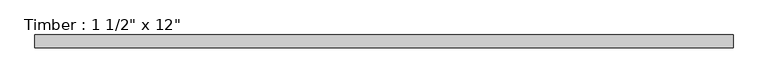
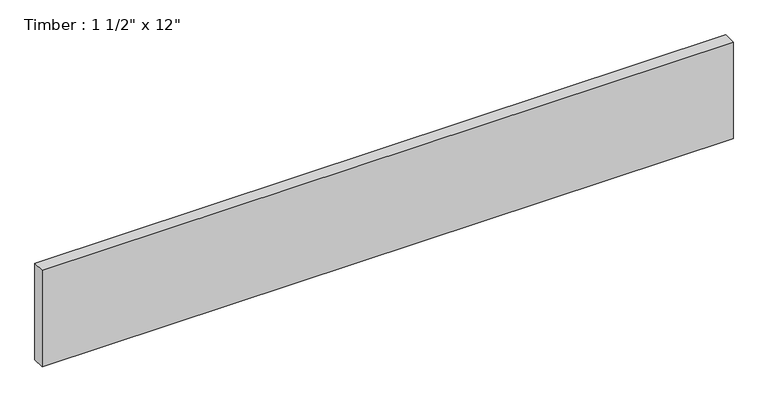
"""IFC4 building model written with IfcOpenShell, lengths in millimetres: beam geometry."""

import ifcopenshell
import ifcopenshell.guid

model = None  # the IFC model being written
_history = None  # IfcOwnerHistory: only IFC2X3 demands one
_inside = {}  # id of a spatial element -> (the spatial element, [elements in it])
_under = {}  # id of a project, library or spatial element -> (it, [spatial elements below it])
_declared = {}  # id of a project -> (the project, [libraries it declares])
_typed = {}  # id of a type object -> (the type object, [elements of that type])
_made_of = {}  # id of a material, layer set ... -> (it, [elements and type objects made of it])


def new_model(schema):
    """Start an empty IFC model of exactly this schema.

    Asked for "IFC4X3", IfcOpenShell would pick the latest addendum, in which some entities
    have other attributes; the version numbers below select the first issue.
    IFC2X3 requires an IfcOwnerHistory on every rooted entity: one is made here for all.
    """
    global model, _history
    if schema == "IFC4X3":
        model = ifcopenshell.file(schema_version=(4, 3, 0, 0))
    else:
        model = ifcopenshell.file(schema=schema)
    _inside.clear()
    _under.clear()
    _declared.clear()
    _typed.clear()
    _made_of.clear()
    _history = None
    if model.schema == "IFC2X3":
        org = make("IfcOrganization", Name="unknown")
        user = make(
            "IfcPersonAndOrganization",
            ThePerson=make("IfcPerson", FamilyName="unknown"),
            TheOrganization=org,
        )
        app = make(
            "IfcApplication",
            ApplicationDeveloper=org,
            Version="unknown",
            ApplicationFullName="unknown",
            ApplicationIdentifier="unknown",
        )
        _history = make(
            "IfcOwnerHistory",
            OwningUser=user,
            OwningApplication=app,
            ChangeAction="ADDED",
            CreationDate=0,
        )
    return model


def make(cls, **values):
    """One entity of the class cls with the attributes given. An attribute that is None is left unset."""
    return model.create_entity(
        cls, **{name: value for name, value in values.items() if value is not None}
    )


def rooted(cls, **values):
    """An entity with a GlobalId (a new one), such as an element, a storey or a relation."""
    return make(cls, GlobalId=ifcopenshell.guid.new(), OwnerHistory=_history, **values)


def si_unit(unit_type, name, prefix=None):
    """IfcSIUnit, for example si_unit("LENGTHUNIT", "METRE", prefix="MILLI")."""
    return make("IfcSIUnit", UnitType=unit_type, Prefix=prefix, Name=name)


def assignment(units):
    """IfcUnitAssignment: the units of a project."""
    return None if units is None else make("IfcUnitAssignment", Units=units)


def point(xyz):
    """IfcCartesianPoint."""
    return None if xyz is None else make("IfcCartesianPoint", Coordinates=xyz)


def direction(xyz):
    """IfcDirection."""
    return None if xyz is None else make("IfcDirection", DirectionRatios=xyz)


def frame(location, z_axis=None, x_axis=None):
    """IfcAxis2Placement3D, a coordinate frame: its origin and axes. An axis left out is left unset."""
    return make(
        "IfcAxis2Placement3D",
        Location=point(location),
        Axis=direction(z_axis),
        RefDirection=direction(x_axis),
    )


def origin():
    """The frame at (0, 0, 0) with its axes left unset."""
    return frame((0.0, 0.0, 0.0))


def place(relative_to, where):
    """IfcLocalPlacement: puts the frame where relative to a parent placement (None: the world)."""
    return make(
        "IfcLocalPlacement", PlacementRelTo=relative_to, RelativePlacement=where
    )


def context(
    kind, dimensions, precision=None, world=None, true_north=None, identifier=None
):
    """IfcGeometricRepresentationContext, for example the 3D "Model" context."""
    return make(
        "IfcGeometricRepresentationContext",
        ContextIdentifier=identifier,
        ContextType=kind,
        CoordinateSpaceDimension=dimensions,
        Precision=precision,
        WorldCoordinateSystem=world,
        TrueNorth=true_north,
    )


def project(units=None, contexts=None):
    """IfcProject with its units and contexts."""
    return rooted(
        "IfcProject",
        Name="project",
        RepresentationContexts=contexts,
        UnitsInContext=assignment(units),
    )


def spatial(cls, under=None, at=None, **own):
    """A site, building, storey or space (cls), placed at a placement, below another one or the project."""
    s = rooted(cls, ObjectPlacement=at, **own)
    if under is not None:
        _under.setdefault(under.id(), (under, []))[1].append(s)
    return s


def polyline(points):
    """IfcPolyline through the points."""
    return make("IfcPolyline", Points=[point(p) for p in points])


def outline(outer, holes=None, kind="AREA"):
    """IfcArbitraryClosedProfileDef: a profile drawn as a closed curve; with holes, ...WithVoids."""
    if holes is None:
        return make("IfcArbitraryClosedProfileDef", ProfileType=kind, OuterCurve=outer)
    return make(
        "IfcArbitraryProfileDefWithVoids",
        ProfileType=kind,
        OuterCurve=outer,
        InnerCurves=holes,
    )


def extrude(swept, where, along, depth):
    """IfcExtrudedAreaSolid: the profile swept, set in the frame where, extruded along a direction by depth."""
    return make(
        "IfcExtrudedAreaSolid",
        SweptArea=swept,
        Position=where,
        ExtrudedDirection=direction(along),
        Depth=depth,
    )


def shape(context_of_items, identifier, shape_type, items):
    """IfcShapeRepresentation: the items that make up one representation, for example the "Body"."""
    return make(
        "IfcShapeRepresentation",
        ContextOfItems=context_of_items,
        RepresentationIdentifier=identifier,
        RepresentationType=shape_type,
        Items=items,
    )


def source(mapping_origin, context_of_items, identifier, shape_type, items):
    """IfcRepresentationMap: a shape defined once, which mapped items show again and again."""
    return make(
        "IfcRepresentationMap",
        MappingOrigin=mapping_origin,
        MappedRepresentation=shape(context_of_items, identifier, shape_type, items),
    )


def transform(
    local_origin,
    x_axis=None,
    y_axis=None,
    z_axis=None,
    scale=None,
    scale2=None,
    scale3=None,
    uniform=True,
):
    """IfcCartesianTransformationOperator3D, or its non-uniform kind. x_axis, y_axis, z_axis: its Axis1, 2, 3."""
    if uniform:
        return make(
            "IfcCartesianTransformationOperator3D",
            Axis1=direction(x_axis),
            Axis2=direction(y_axis),
            LocalOrigin=point(local_origin),
            Scale=scale,
            Axis3=direction(z_axis),
        )
    return make(
        "IfcCartesianTransformationOperator3DnonUniform",
        Axis1=direction(x_axis),
        Axis2=direction(y_axis),
        LocalOrigin=point(local_origin),
        Scale=scale,
        Axis3=direction(z_axis),
        Scale2=scale2,
        Scale3=scale3,
    )


def mapped(mapping_source, mapping_target):
    """IfcMappedItem: shows the shape of a source again, moved by a transform."""
    return make(
        "IfcMappedItem", MappingSource=mapping_source, MappingTarget=mapping_target
    )


def made_of(thing, what):
    """Note that an element or type object is made of a material, layer set ...; save() writes the relation."""
    if what is not None:
        _made_of.setdefault(what.id(), (what, []))[1].append(thing)
    return thing


def element(
    cls,
    number,
    at=None,
    inside=None,
    cuts=None,
    type_object=None,
    material=None,
    context=None,
    identifier="Body",
    shape_type=None,
    held_by="IfcProductDefinitionShape",
    body=None,
    shapes=None,
    **own,
):
    """One element of the class cls, such as IfcWall. Its Tag is "e" and its number.

    at: its placement. inside: the storey or other place that contains it. cuts: it is an
    opening in that element (IfcRelVoidsElement). A single representation is given by context,
    identifier, shape_type and body (its items); several are given by shapes. held_by: the class
    of the entity that holds the representations. save() writes the other relations.
    """
    e = rooted(cls, Tag="e%d" % number, ObjectPlacement=at, **own)
    if body is not None:
        shapes = [shape(context, identifier, shape_type, body)]
    if shapes is not None:
        e.Representation = make(held_by, Representations=shapes)
    if inside is not None:
        _inside.setdefault(inside.id(), (inside, []))[1].append(e)
    if cuts is not None:
        rooted(
            "IfcRelVoidsElement", RelatingBuildingElement=cuts, RelatedOpeningElement=e
        )
    if type_object is not None:
        _typed.setdefault(type_object.id(), (type_object, []))[1].append(e)
    return made_of(e, material)


def aggregate(whole, parts):
    """IfcRelAggregates: a whole, such as a stair, and the parts it consists of."""
    return rooted("IfcRelAggregates", RelatingObject=whole, RelatedObjects=parts)


def save(model, path):
    """Write the relations noted so far, then the file.

    IfcRelAggregates (storeys below a building ...), IfcRelContainedInSpatialStructure (elements
    in a storey), IfcRelDefinesByType, IfcRelAssociatesMaterial and IfcRelDeclares: one each for
    every whole, place, type object, material and project.
    """
    for whole, parts in _under.values():
        aggregate(whole, parts)
    for where, things in _inside.values():
        rooted(
            "IfcRelContainedInSpatialStructure",
            RelatedElements=things,
            RelatingStructure=where,
        )
    for kind, things in _typed.values():
        rooted("IfcRelDefinesByType", RelatedObjects=things, RelatingType=kind)
    for what, things in _made_of.values():
        rooted("IfcRelAssociatesMaterial", RelatedObjects=things, RelatingMaterial=what)
    for by, libraries in _declared.values():
        rooted("IfcRelDeclares", RelatingContext=by, RelatedDefinitions=libraries)
    model.write(path)


def beam_56f13ab9(model_context):
    return source(origin(), model_context, "Body", "SweptSolid", [
        extrude(outline(polyline([(1033.3858839, 19.05), (1033.3858839, -19.05), (-1033.3858839, -19.05), (-1033.3858839, 19.05), (1033.3858839, 19.05)])), frame((0.0, 0.0, -152.4), z_axis=(0.0, 0.0, 1.0), x_axis=(1.0, 0.0, 0.0)), (0.0, 0.0, 1.0), 304.8),
    ])


if __name__ == "__main__":
    model = new_model("IFC4")
    model_context = context("Model", 3, world=origin())
    ifc_project = project(units=[si_unit("LENGTHUNIT", "METRE", prefix="MILLI")], contexts=[model_context])
    site = spatial("IfcSite", under=ifc_project)
    building = spatial("IfcBuilding", under=site)
    placement = place(None, origin())
    beam_shape = beam_56f13ab9(model_context)
    element("IfcBeam", 1, ObjectType="Timber : 1 1/2\" x 12\"", at=placement, inside=building, context=model_context, shape_type="MappedRepresentation", body=[
        mapped(beam_shape, transform((0.0, 0.0, 0.0), x_axis=(1.0, 0.0, 0.0), y_axis=(0.0, 1.0, 0.0), z_axis=(0.0, 0.0, 1.0))),
    ])
    save(model, "model.ifc")
